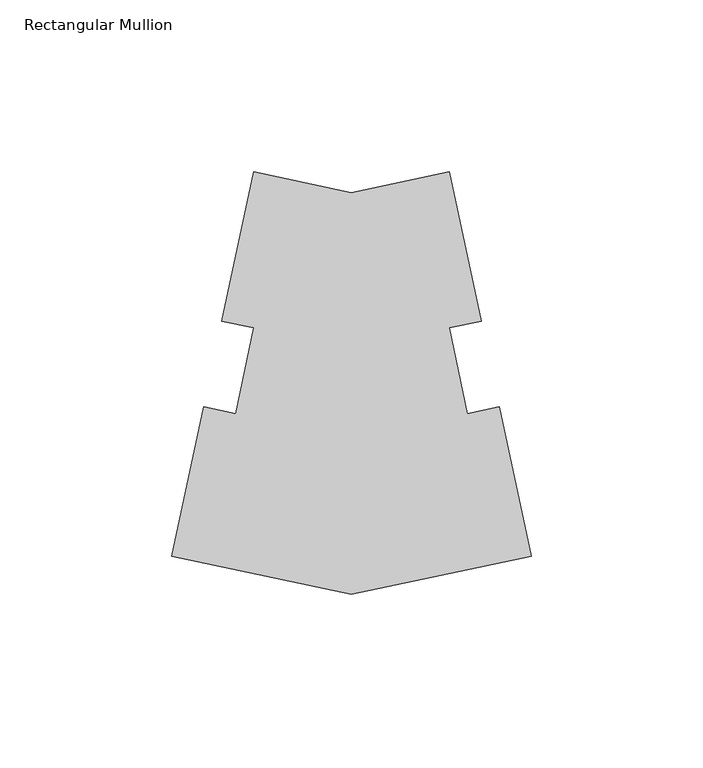
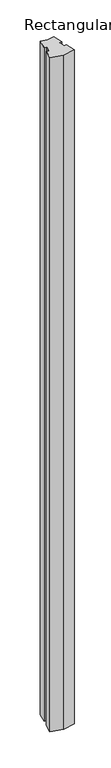
"""IFC4 building model written with IfcOpenShell, lengths in millimetres: member geometry, Rectangular Mullion."""

from ifc_helpers import new_model, si_unit, frame, origin, place, context, project, spatial, polyline, outline, extrude, source, transform, mapped, element, save


def rectangular_mullion_69a1966d(model_context):
    return source(origin(), model_context, "Body", "SweptSolid", [
        extrude(outline(polyline([(-52.2586138, -58.7018047), (-104.5172276, -47.5938934), (-95.2846697, -4.1581235), (-85.9678138, -6.1384824), (-80.6686234, 18.7922486), (-89.9854793, 20.7726075), (-80.7529214, 64.2083773), (-52.2586138, 58.1517253), (-23.7643063, 64.2083773), (-14.5317484, 20.7726075), (-23.8486043, 18.7922486), (-18.5494138, -6.1384824), (-9.2325579, -4.1581235), (0.0, -47.5938934), (-52.2586138, -58.7018047)])), frame((0.0, 0.0, -3048.0), z_axis=(0.0, 0.0, 1.0), x_axis=(1.0, 0.0, 0.0)), (0.0, 0.0, 1.0), 3048.0),
    ])


if __name__ == "__main__":
    model = new_model("IFC4")
    model_context = context("Model", 3, world=origin())
    ifc_project = project(units=[si_unit("LENGTHUNIT", "METRE", prefix="MILLI")], contexts=[model_context])
    site = spatial("IfcSite", under=ifc_project)
    building = spatial("IfcBuilding", under=site)
    placement = place(None, origin())
    rectangular_mullion_shape = rectangular_mullion_69a1966d(model_context)
    element("IfcMember", 1, ObjectType="Rectangular Mullion", at=placement, inside=building, context=model_context, shape_type="MappedRepresentation", body=[
        mapped(rectangular_mullion_shape, transform((0.0, 0.0, 0.0), x_axis=(1.0, 0.0, 0.0), y_axis=(0.0, 1.0, 0.0), z_axis=(0.0, 0.0, 1.0))),
    ])
    save(model, "model.ifc")
